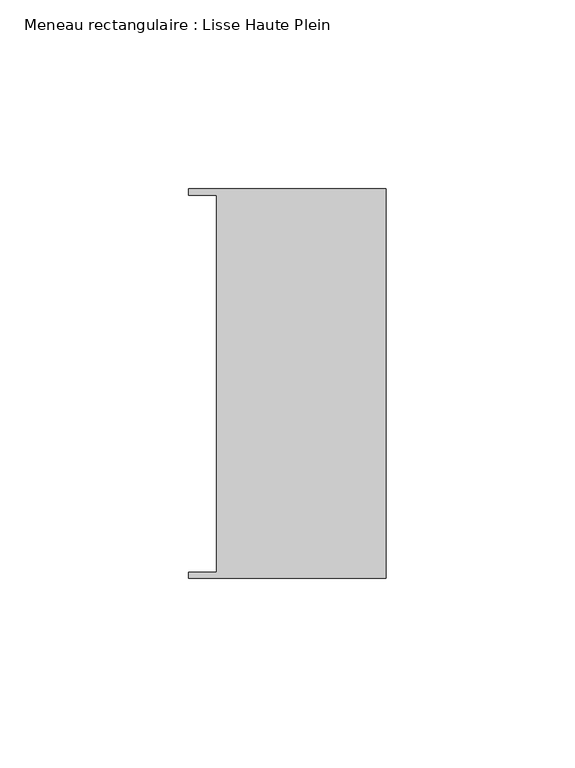
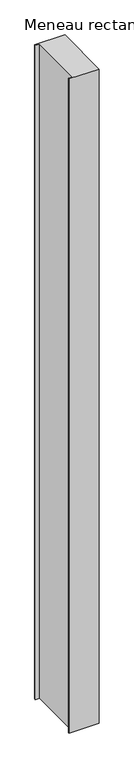
"""IFC4 building model written with IfcOpenShell, lengths in millimetres: member geometry, Meneau rectangulaire : Lisse Haute Plein."""

from ifc_helpers import new_model, si_unit, frame, origin, place, context, project, spatial, polyline, outline, extrude, source, transform, mapped, element, save


def meneau_rectangulaire_lisse_haute_plein_760e3183(model_context):
    return source(origin(), model_context, "Body", "SweptSolid", [
        extrude(outline(polyline([(-44.9064331, 49.9174073), (-52.3, 49.9174073), (-52.3, 51.585934), (0.0, 51.585934), (0.0, -51.6011428), (-52.3, -51.6011428), (-52.3, -49.9174073), (-44.9064331, -49.9174073), (-44.9064331, 49.9174073)])), frame((0.0, 0.0, -1200.0), z_axis=(0.0, 0.0, 1.0), x_axis=(1.0, 0.0, 0.0)), (0.0, 0.0, 1.0), 1200.0),
    ])


if __name__ == "__main__":
    model = new_model("IFC4")
    model_context = context("Model", 3, world=origin())
    ifc_project = project(units=[si_unit("LENGTHUNIT", "METRE", prefix="MILLI")], contexts=[model_context])
    site = spatial("IfcSite", under=ifc_project)
    building = spatial("IfcBuilding", under=site)
    placement = place(None, origin())
    meneau_rectangulaire_lisse_haute_plein_shape = meneau_rectangulaire_lisse_haute_plein_760e3183(model_context)
    element("IfcMember", 1, ObjectType="Meneau rectangulaire : Lisse Haute Plein", at=placement, inside=building, context=model_context, shape_type="MappedRepresentation", body=[
        mapped(meneau_rectangulaire_lisse_haute_plein_shape, transform((0.0, 0.0, 0.0), x_axis=(1.0, 0.0, 0.0), y_axis=(0.0, 1.0, 0.0), z_axis=(0.0, 0.0, 1.0))),
    ])
    save(model, "model.ifc")
